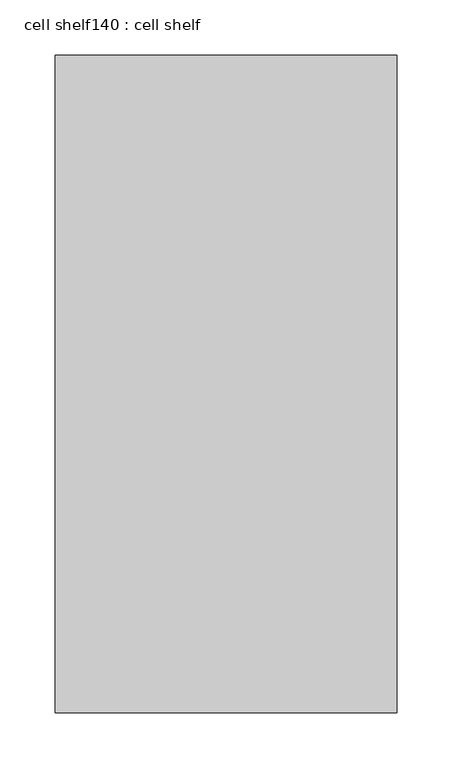
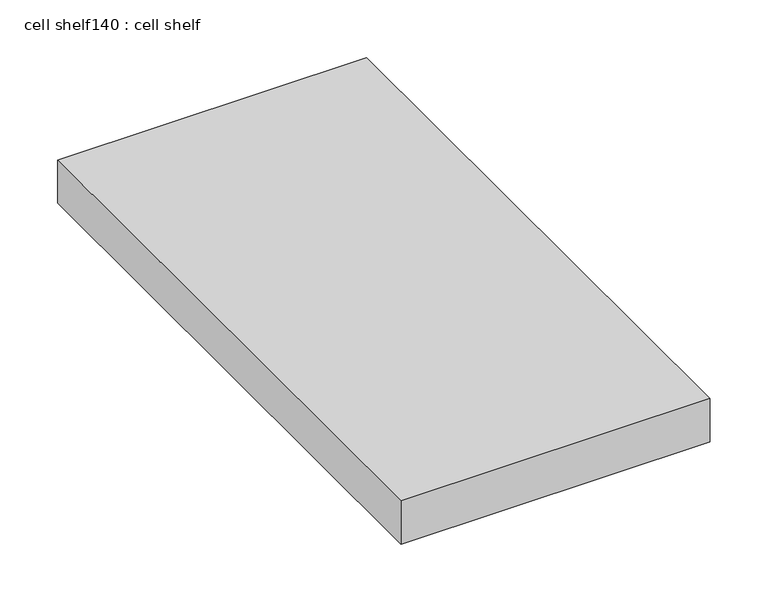
"""IFC4 building model written with IfcOpenShell, lengths in millimetres: proxy geometry, cell shelf140 : cell shelf."""

from ifc_helpers import new_model, si_unit, frame, origin, place, context, project, spatial, polyline, outline, extrude, source, transform, mapped, element, save


def cell_shelf140_cell_shelf_518b2134(model_context):
    return source(origin(), model_context, "Body", "SweptSolid", [
        extrude(outline(polyline([(-127312.5451094, -44891.9553685), (-127312.5451094, -45487.0417641), (-127621.8929059, -45487.0417641), (-127621.8929059, -44891.9553685), (-127312.5451094, -44891.9553685)])), frame((0.0, 0.0, 1320.0941517), z_axis=(0.0, 0.0, 1.0), x_axis=(1.0, 0.0, 0.0)), (0.0, 0.0, 1.0), 45.8133004),
    ])


if __name__ == "__main__":
    model = new_model("IFC4")
    model_context = context("Model", 3, world=origin())
    ifc_project = project(units=[si_unit("LENGTHUNIT", "METRE", prefix="MILLI")], contexts=[model_context])
    site = spatial("IfcSite", under=ifc_project)
    building = spatial("IfcBuilding", under=site)
    placement = place(None, origin())
    cell_shelf140_cell_shelf_shape = cell_shelf140_cell_shelf_518b2134(model_context)
    element("IfcBuildingElementProxy", 1, Name="cell shelf140 : cell shelf", ObjectType="cell shelf140 : cell shelf", at=placement, inside=building, context=model_context, shape_type="MappedRepresentation", body=[
        mapped(cell_shelf140_cell_shelf_shape, transform((0.0, 0.0, 0.0), x_axis=(1.0, 0.0, 0.0), y_axis=(0.0, 1.0, 0.0), z_axis=(0.0, 0.0, 1.0))),
    ])
    save(model, "model.ifc")
